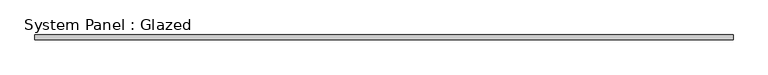
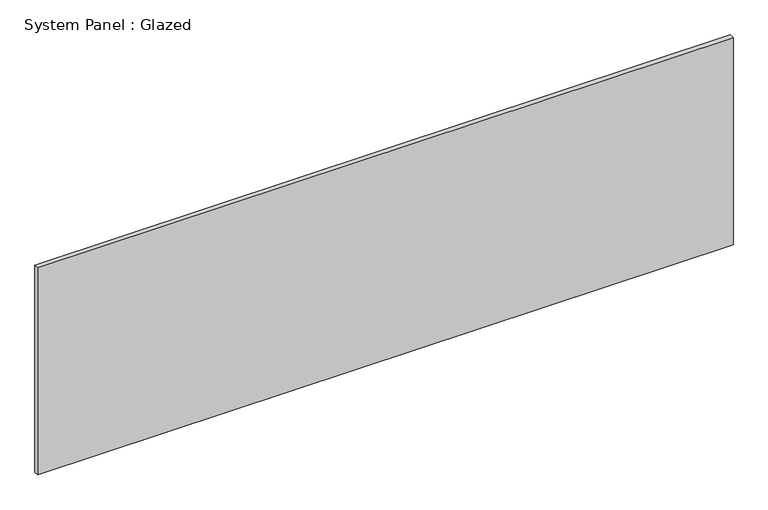
"""IFC4 building model written with IfcOpenShell, lengths in millimetres: plate geometry, System Panel : Glazed."""

from ifc_helpers import new_model, si_unit, origin, origin_with_axes, place, context, project, spatial, polyline, outline, extrude, source, transform, mapped, element, save


def system_panel_glazed_0f4f2b3e(model_context):
    return source(origin(), model_context, "Body", "SweptSolid", [
        extrude(outline(polyline([(1837.5752733, -44.45), (-1837.5752733, -44.45), (-1837.5752733, -19.05), (1837.5752733, -19.05), (1837.5752733, -44.45)])), origin_with_axes(), (0.0, 0.0, 1.0), 1155.7),
    ])


if __name__ == "__main__":
    model = new_model("IFC4")
    model_context = context("Model", 3, world=origin())
    ifc_project = project(units=[si_unit("LENGTHUNIT", "METRE", prefix="MILLI")], contexts=[model_context])
    site = spatial("IfcSite", under=ifc_project)
    building = spatial("IfcBuilding", under=site)
    placement = place(None, origin())
    system_panel_glazed_shape = system_panel_glazed_0f4f2b3e(model_context)
    element("IfcPlate", 1, ObjectType="System Panel : Glazed", at=placement, inside=building, context=model_context, shape_type="MappedRepresentation", body=[
        mapped(system_panel_glazed_shape, transform((0.0, 0.0, 0.0), x_axis=(1.0, 0.0, 0.0), y_axis=(0.0, 1.0, 0.0), z_axis=(0.0, 0.0, 1.0))),
    ])
    save(model, "model.ifc")
